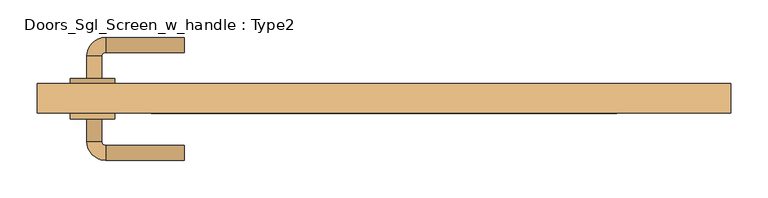
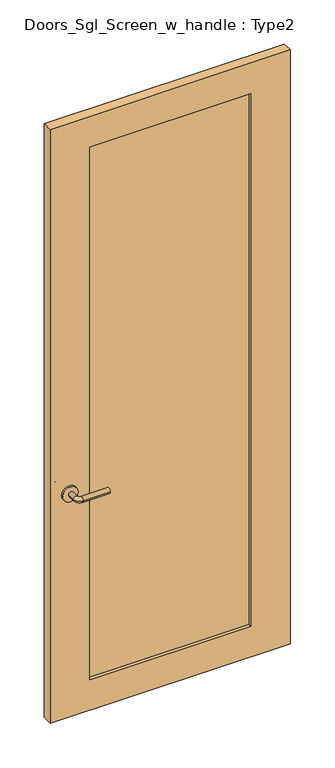
"""IFC4 building model written with IfcOpenShell, lengths in millimetres: door geometry, Doors_Sgl_Screen_w_handle : Type2."""

from ifc_helpers import new_model, si_unit, point, frame, frame_2d, origin, place, context, project, spatial, polyline, circle_curve, ellipse_curve, trimmed, segment, composite_curve, outline, extrude, source, transform, mapped, element, save
from ifc_brep_helpers import plane_surface, cylinder_surface, revolved_surface, advanced_brep


def doors_sgl_screen_w_handle_type2_33fb5d33(model_context):
    return source(origin(), model_context, "Body", "SolidModel", [
        advanced_brep(
        [(-397.35, 33.964741, 914.4), (-377.35, 33.964741, 914.4), (-397.35, 63.964741, 914.4), (-377.35, 63.964741, 914.4), (-372.35, 68.964741, 914.4), (-372.35, 88.964741, 914.4), (-267.35, 88.964741, 914.4), (-267.35, 68.964741, 914.4)],
        [
            (0, 1, circle_curve(frame((-387.35, 33.964741, 914.4), z_axis=(0.0, -1.0, 0.0), x_axis=(1.0, 0.0, 0.0)), 10.0)),
            (1, 0, circle_curve(frame((-387.35, 33.964741, 914.4), z_axis=(0.0, -1.0, 0.0), x_axis=(1.0, 0.0, 0.0)), 10.0)),
            (0, 2),
            (2, 3, circle_curve(frame((-387.35, 63.964741, 914.4), z_axis=(0.0, -1.0, 0.0), x_axis=(1.0, 0.0, 0.0)), 10.0)),
            (3, 1),
            (3, 2, circle_curve(frame((-387.35, 63.964741, 914.4), z_axis=(0.0, -1.0, 0.0), x_axis=(1.0, 0.0, 0.0)), 10.0)),
            (4, 3, circle_curve(frame((-372.35, 63.964741, 914.4), z_axis=(0.0, 0.0, 1.0), x_axis=(-1.0, 0.0, 0.0)), 5.0)),
            (2, 5, circle_curve(frame((-372.35, 63.964741, 914.4), z_axis=(0.0, 0.0, -1.0), x_axis=(-1.0, 0.0, 0.0)), 25.0)),
            (5, 4, circle_curve(frame((-372.35, 78.964741, 914.4), z_axis=(-1.0, 0.0, 0.0), x_axis=(0.0, -1.0, 0.0)), 10.0)),
            (4, 5, circle_curve(frame((-372.35, 78.964741, 914.4), z_axis=(-1.0, 0.0, 0.0), x_axis=(0.0, -1.0, 0.0)), 10.0)),
            (6, 7, circle_curve(frame((-267.35, 78.964741, 914.4), z_axis=(1.0, 0.0, 0.0), x_axis=(0.0, -1.0, 0.0)), 10.0)),
            (7, 6, circle_curve(frame((-267.35, 78.964741, 914.4), z_axis=(1.0, 0.0, 0.0), x_axis=(0.0, -1.0, 0.0)), 10.0)),
            (5, 6),
            (7, 4),
        ],
        [
            plane_surface(frame((-387.35, 33.964741, 914.4), z_axis=(0.0, -1.0, 0.0), x_axis=(0.0, 0.0, 1.0))),
            cylinder_surface(frame((-387.35, 33.964741, 914.4), z_axis=(0.0, -1.0, 0.0), x_axis=(1.0, 0.0, 0.0)), 10.0),
            revolved_surface(trimmed(ellipse_curve(frame((-387.35, 63.964741, 914.4), z_axis=(0.0, -1.0, 0.0), x_axis=(1.0, 0.0, 0.0)), 10.0, 10.0), [point((-397.35, 63.964741, 914.4))], [point((-377.35, 63.964741, 914.4))], True, "CARTESIAN"), (-372.35, 63.964741, 914.4), (0.0, 0.0, -1.0)),
            revolved_surface(trimmed(ellipse_curve(frame((-387.35, 63.964741, 914.4), z_axis=(0.0, -1.0, 0.0), x_axis=(1.0, 0.0, 0.0)), 10.0, 10.0), [point((-377.35, 63.964741, 914.4))], [point((-397.35, 63.964741, 914.4))], True, "CARTESIAN"), (-372.35, 63.964741, 914.4), (0.0, 0.0, -1.0)),
            plane_surface(frame((-267.35, 78.964741, 914.4), z_axis=(1.0, 0.0, 0.0), x_axis=(0.0, 0.0, 1.0))),
            cylinder_surface(frame((-372.35, 78.964741, 914.4), z_axis=(-1.0, 0.0, 0.0), x_axis=(0.0, -1.0, 0.0)), 10.0),
        ],
        [
            (0, [[1, 2]]),
            (1, [[-1, 3, 4, 5]]),
            (1, [[-2, -5, 6, -3]]),
            (2, [[7, -4, 8, 9]]),
            (3, [[-8, -6, -7, 10]]),
            (4, [[11, 12]]),
            (5, [[-9, 13, -12, 14]]),
            (5, [[-10, -14, -11, -13]]),
        ],
    ),
        extrude(outline(composite_curve([segment(trimmed(circle_curve(frame_2d((914.4, -389.85)), 30.0), [point((914.4, -419.85))], [point((914.4, -359.85))], False, "CARTESIAN"), True, "CONTINUOUS"), segment(trimmed(circle_curve(frame_2d((914.4, -389.85)), 30.0), [point((914.4, -359.85))], [point((914.4, -419.85))], False, "CARTESIAN"), True, "CONTINUOUS")], self_intersect=False)), frame((0.0, 25.964741, 0.0), z_axis=(0.0, 1.0, 0.0), x_axis=(0.0, 0.0, 1.0)), (0.0, 0.0, 1.0), 8.0),
        advanced_brep(
        [(-397.35, -20.5788556, 914.4), (-377.35, -20.5788556, 914.4), (-377.35, -50.5788556, 914.4), (-397.35, -50.5788556, 914.4), (-372.35, -55.5788556, 914.4), (-372.35, -75.5788556, 914.4), (-267.35, -75.5788556, 914.4), (-267.35, -55.5788556, 914.4)],
        [
            (0, 1, circle_curve(frame((-387.35, -20.5788556, 914.4), z_axis=(0.0, 1.0, 0.0), x_axis=(1.0, 0.0, 0.0)), 10.0)),
            (1, 0, circle_curve(frame((-387.35, -20.5788556, 914.4), z_axis=(0.0, 1.0, 0.0), x_axis=(1.0, 0.0, 0.0)), 10.0)),
            (1, 2),
            (2, 3, circle_curve(frame((-387.35, -50.5788556, 914.4), z_axis=(0.0, 1.0, 0.0), x_axis=(1.0, 0.0, 0.0)), 10.0)),
            (3, 0),
            (3, 2, circle_curve(frame((-387.35, -50.5788556, 914.4), z_axis=(0.0, 1.0, 0.0), x_axis=(1.0, 0.0, 0.0)), 10.0)),
            (4, 5, circle_curve(frame((-372.35, -65.5788556, 914.4), z_axis=(-1.0, 0.0, 0.0), x_axis=(0.0, 1.0, 0.0)), 10.0)),
            (5, 3, circle_curve(frame((-372.35, -50.5788556, 914.4), z_axis=(0.0, 0.0, -1.0), x_axis=(-1.0, 0.0, 0.0)), 25.0)),
            (2, 4, circle_curve(frame((-372.35, -50.5788556, 914.4), z_axis=(0.0, 0.0, 1.0), x_axis=(-1.0, 0.0, 0.0)), 5.0)),
            (5, 4, circle_curve(frame((-372.35, -65.5788556, 914.4), z_axis=(-1.0, 0.0, 0.0), x_axis=(0.0, 1.0, 0.0)), 10.0)),
            (6, 7, circle_curve(frame((-267.35, -65.5788556, 914.4), z_axis=(1.0, 0.0, 0.0), x_axis=(0.0, 1.0, 0.0)), 10.0)),
            (7, 6, circle_curve(frame((-267.35, -65.5788556, 914.4), z_axis=(1.0, 0.0, 0.0), x_axis=(0.0, 1.0, 0.0)), 10.0)),
            (4, 7),
            (6, 5),
        ],
        [
            plane_surface(frame((-387.35, -20.5788556, 914.4), z_axis=(0.0, 1.0, 0.0), x_axis=(0.0, 0.0, 1.0))),
            cylinder_surface(frame((-387.35, -20.5788556, 914.4), z_axis=(0.0, 1.0, 0.0), x_axis=(1.0, 0.0, 0.0)), 10.0),
            revolved_surface(trimmed(ellipse_curve(frame((-387.35, -50.5788556, 914.4), z_axis=(0.0, -1.0, 0.0), x_axis=(1.0, 0.0, 0.0)), 10.0, 10.0), [point((-397.35, -50.5788556, 914.4))], [point((-377.35, -50.5788556, 914.4))], True, "CARTESIAN"), (-372.35, -50.5788556, 914.4), (0.0, 0.0, -1.0)),
            revolved_surface(trimmed(ellipse_curve(frame((-387.35, -50.5788556, 914.4), z_axis=(0.0, -1.0, 0.0), x_axis=(1.0, 0.0, 0.0)), 10.0, 10.0), [point((-377.35, -50.5788556, 914.4))], [point((-397.35, -50.5788556, 914.4))], True, "CARTESIAN"), (-372.35, -50.5788556, 914.4), (0.0, 0.0, -1.0)),
            plane_surface(frame((-267.35, -65.5788556, 914.4), z_axis=(1.0, 0.0, 0.0), x_axis=(0.0, 0.0, 1.0))),
            cylinder_surface(frame((-372.35, -65.5788556, 914.4), z_axis=(-1.0, 0.0, 0.0), x_axis=(0.0, 1.0, 0.0)), 10.0),
        ],
        [
            (0, [[1, 2]]),
            (1, [[3, 4, 5, -2]]),
            (1, [[-5, 6, -3, -1]]),
            (2, [[7, 8, -4, 9]]),
            (3, [[10, -9, -6, -8]]),
            (4, [[11, 12]]),
            (5, [[13, -11, 14, -7]]),
            (5, [[-14, -12, -13, -10]]),
        ],
    ),
        extrude(outline(composite_curve([segment(trimmed(circle_curve(frame_2d((914.4, -389.85)), 30.0), [point((914.4, -419.85))], [point((914.4, -359.85))], False, "CARTESIAN"), True, "CONTINUOUS"), segment(trimmed(circle_curve(frame_2d((914.4, -389.85)), 30.0), [point((914.4, -359.85))], [point((914.4, -419.85))], False, "CARTESIAN"), True, "CONTINUOUS")], self_intersect=False)), frame((0.0, -20.5788556, 0.0), z_axis=(0.0, 1.0, 0.0), x_axis=(0.0, 0.0, 1.0)), (0.0, 0.0, 1.0), 8.0),
        extrude(outline(polyline([(311.15, 12.7), (311.15, 0.0), (-311.15, 0.0), (-311.15, 12.7), (311.15, 12.7)])), frame((0.0, 0.0, 125.0), z_axis=(0.0, 0.0, 1.0), x_axis=(1.0, 0.0, 0.0)), (0.0, 0.0, 1.0), 2175.7),
        extrude(outline(polyline([(2425.7, -463.55), (0.0, -463.55), (0.0, 463.55), (2425.7, 463.55), (2425.7, -463.55)]), holes=[polyline([(2300.7, -311.15), (2300.7, 311.15), (125.0, 311.15), (125.0, -311.15), (2300.7, -311.15)])]), frame((0.0, -12.5788556, 0.0), z_axis=(0.0, 1.0, 0.0), x_axis=(0.0, 0.0, 1.0)), (0.0, 0.0, 1.0), 39.2435966),
    ])


if __name__ == "__main__":
    model = new_model("IFC4")
    model_context = context("Model", 3, world=origin())
    ifc_project = project(units=[si_unit("LENGTHUNIT", "METRE", prefix="MILLI")], contexts=[model_context])
    site = spatial("IfcSite", under=ifc_project)
    building = spatial("IfcBuilding", under=site)
    placement = place(None, origin())
    doors_sgl_screen_w_handle_type2_shape = doors_sgl_screen_w_handle_type2_33fb5d33(model_context)
    element("IfcDoor", 1, ObjectType="Doors_Sgl_Screen_w_handle : Type2", at=placement, inside=building, context=model_context, shape_type="MappedRepresentation", body=[
        mapped(doors_sgl_screen_w_handle_type2_shape, transform((0.0, 0.0, 0.0), x_axis=(1.0, 0.0, 0.0), y_axis=(0.0, 1.0, 0.0), z_axis=(0.0, 0.0, 1.0))),
    ])
    save(model, "model.ifc")
